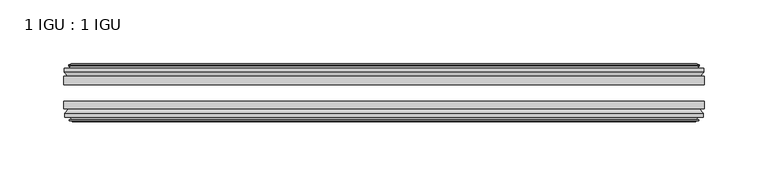
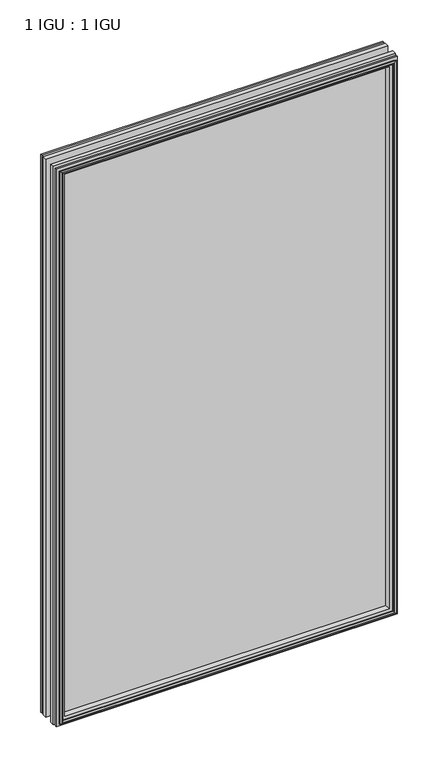
"""IFC4 building model written with IfcOpenShell, lengths in millimetres: plate geometry, 1 IGU : 1 IGU."""

from ifc_helpers import new_model, si_unit, frame, origin, place, context, project, spatial, polyline, outline, extrude, faceted_brep, source, transform, mapped, element, save


def plate_1_igu_1_igu_56111e99(model_context):
    return source(origin(), model_context, "Body", "SolidModel", [
        extrude(outline(polyline([(250.2044133, -25.8960937), (250.2044133, -32.2460938), (-250.2044133, -32.2460938), (-250.2044133, -25.8960937), (250.2044133, -25.8960937)])), frame((0.0, 0.0, -12.7), z_axis=(0.0, 0.0, 1.0), x_axis=(1.0, 0.0, 0.0)), (0.0, 0.0, 1.0), 863.6),
        extrude(outline(polyline([(-250.2044133, -51.2960938), (-250.2044133, -45.2686737), (250.2044133, -45.2686737), (250.2044133, -51.2960938), (-250.2044133, -51.2960938)])), frame((0.0, 0.0, -12.7), z_axis=(0.0, 0.0, 1.0), x_axis=(1.0, 0.0, 0.0)), (0.0, 0.0, 1.0), 863.6),
        faceted_brep([(-244.6164133, -60.0262907, 845.312), (-244.9974133, -57.6460937, 845.693), (-244.9974133, -57.6460937, -7.493), (-244.6164133, -60.0262907, -7.112), (-246.0319424, -59.5663575, 846.7275291), (-246.0319424, -59.5663575, -8.5275291), (-246.0319424, -60.3675717, 846.7275291), (-246.0319424, -60.3675717, -8.5275291), (-243.8544133, -61.0750937, 844.55), (-243.8544133, -61.0750937, -6.35), (-241.6768843, -60.3675717, 842.3724709), (-241.6768843, -60.3675717, -4.1724709), (-241.6768843, -59.5663575, 842.3724709), (-241.6768843, -59.5663575, -4.1724709), (-243.0924133, -60.0262907, 843.788), (-243.0924133, -60.0262907, -5.588), (-242.7114133, -57.6460937, 843.407), (-242.7114133, -57.6460937, -5.207), (-235.7866953, -51.2960937, 836.4822819), (-237.5044133, -57.6460937, 838.2), (-237.5044133, -57.6460937, 0.0), (-235.7866953, -51.2960937, 1.7177181), (-249.4424133, -54.6996937, 850.138), (-246.6080712, -51.2960937, 847.3036578), (-246.6080712, -51.2960937, -9.1036578), (-249.4424133, -54.6996937, -11.938), (-249.4424133, -57.6460937, 850.138), (-249.4424133, -57.6460937, -11.938), (244.9974133, -57.6460938, -7.493), (244.6164133, -60.0262907, -7.112), (246.0319424, -59.5663575, -8.5275291), (246.0319424, -60.3675717, -8.5275291), (243.8544133, -61.0750937, -6.35), (241.6768843, -60.3675717, -4.1724709), (241.6768843, -59.5663575, -4.1724709), (243.0924133, -60.0262907, -5.588), (242.7114133, -57.6460937, -5.207), (237.5044133, -57.6460937, 0.0), (235.7866953, -51.2960937, 1.7177181), (246.6080712, -51.2960937, -9.1036578), (249.4424133, -54.6996937, -11.938), (249.4424133, -57.6460938, -11.938), (244.9974133, -57.6460938, 845.693), (244.6164133, -60.0262907, 845.312), (246.0319424, -59.5663575, 846.7275291), (246.0319424, -60.3675717, 846.7275291), (243.8544133, -61.0750937, 844.55), (241.6768843, -60.3675717, 842.3724709), (241.6768843, -59.5663575, 842.3724709), (243.0924133, -60.0262907, 843.788), (242.7114133, -57.6460937, 843.407), (237.5044133, -57.6460937, 838.2), (235.7866953, -51.2960937, 836.4822819), (246.6080712, -51.2960937, 847.3036578), (249.4424133, -54.6996937, 850.138), (249.4424133, -57.6460938, 850.138)], [[[0, 1, 2, 3]], [[4, 0, 3, 5]], [[6, 4, 5, 7]], [[8, 6, 7, 9]], [[10, 8, 9, 11]], [[12, 10, 11, 13]], [[14, 12, 13, 15]], [[16, 14, 15, 17]], [[18, 19, 20, 21]], [[22, 23, 24, 25]], [[26, 22, 25, 27]], [[3, 2, 28, 29]], [[5, 3, 29, 30]], [[7, 5, 30, 31]], [[9, 7, 31, 32]], [[11, 9, 32, 33]], [[13, 11, 33, 34]], [[15, 13, 34, 35]], [[17, 15, 35, 36]], [[21, 20, 37, 38]], [[25, 24, 39, 40]], [[27, 25, 40, 41]], [[29, 28, 42, 43]], [[30, 29, 43, 44]], [[31, 30, 44, 45]], [[32, 31, 45, 46]], [[33, 32, 46, 47]], [[34, 33, 47, 48]], [[35, 34, 48, 49]], [[36, 35, 49, 50]], [[38, 37, 51, 52]], [[40, 39, 53, 54]], [[41, 40, 54, 55]], [[27, 41, 55, 26], [1, 42, 28, 2]], [[43, 42, 1, 0]], [[44, 43, 0, 4]], [[45, 44, 4, 6]], [[46, 45, 6, 8]], [[47, 46, 8, 10]], [[48, 47, 10, 12]], [[49, 48, 12, 14]], [[50, 49, 14, 16]], [[17, 36, 50, 16], [19, 51, 37, 20]], [[52, 51, 19, 18]], [[23, 53, 39, 24], [21, 38, 52, 18]], [[54, 53, 23, 22]], [[55, 54, 22, 26]]]),
        faceted_brep([(-247.1287712, -25.8960937, 847.8243578), (-249.9631133, -22.4924937, 850.6587), (-249.9631133, -22.4924937, -12.4587), (-247.1287712, -25.8960937, -9.6243578), (-238.0251133, -19.5460937, 838.7207), (-236.3073953, -25.8960937, 837.0029819), (-236.3073953, -25.8960937, 1.1970181), (-238.0251133, -19.5460937, -0.5207), (-243.6131133, -17.1658968, 844.3087), (-243.2321133, -19.5460937, 843.9277), (-243.2321133, -19.5460937, -5.7277), (-243.6131133, -17.1658968, -6.1087), (-242.1975843, -17.62583, 842.8931709), (-242.1975843, -17.62583, -4.6931709), (-242.1975843, -16.8246158, 842.8931709), (-242.1975843, -16.8246158, -4.6931709), (-244.3751133, -16.1170937, 845.0707), (-244.3751133, -16.1170937, -6.8707), (-246.5526424, -16.8246158, 847.2482291), (-246.5526424, -16.8246158, -9.0482291), (-246.5526424, -17.62583, 847.2482291), (-246.5526424, -17.62583, -9.0482291), (-245.1371133, -17.1658968, 845.8327), (-245.1371133, -17.1658968, -7.6327), (-245.5181133, -19.5460937, 846.2137), (-245.5181133, -19.5460937, -8.0137), (-249.9631133, -19.5460937, 850.6587), (-249.9631133, -19.5460937, -12.4587), (249.9631133, -22.4924937, -12.4587), (247.1287712, -25.8960937, -9.6243578), (236.3073953, -25.8960937, 1.1970181), (238.0251133, -19.5460937, -0.5207), (243.2321133, -19.5460937, -5.7277), (243.6131133, -17.1658968, -6.1087), (242.1975843, -17.62583, -4.6931709), (242.1975843, -16.8246158, -4.6931709), (244.3751133, -16.1170937, -6.8707), (246.5526424, -16.8246158, -9.0482291), (246.5526424, -17.62583, -9.0482291), (245.1371133, -17.1658968, -7.6327), (245.5181133, -19.5460937, -8.0137), (249.9631133, -19.5460937, -12.4587), (249.9631133, -22.4924937, 850.6587), (247.1287712, -25.8960937, 847.8243578), (236.3073953, -25.8960937, 837.0029819), (238.0251133, -19.5460937, 838.7207), (243.2321133, -19.5460937, 843.9277), (243.6131133, -17.1658968, 844.3087), (242.1975843, -17.62583, 842.8931709), (242.1975843, -16.8246158, 842.8931709), (244.3751133, -16.1170937, 845.0707), (246.5526424, -16.8246158, 847.2482291), (246.5526424, -17.62583, 847.2482291), (245.1371133, -17.1658968, 845.8327), (245.5181133, -19.5460937, 846.2137), (249.9631133, -19.5460937, 850.6587)], [[[0, 1, 2, 3]], [[4, 5, 6, 7]], [[8, 9, 10, 11]], [[12, 8, 11, 13]], [[14, 12, 13, 15]], [[16, 14, 15, 17]], [[18, 16, 17, 19]], [[20, 18, 19, 21]], [[22, 20, 21, 23]], [[24, 22, 23, 25]], [[1, 26, 27, 2]], [[3, 2, 28, 29]], [[7, 6, 30, 31]], [[11, 10, 32, 33]], [[13, 11, 33, 34]], [[15, 13, 34, 35]], [[17, 15, 35, 36]], [[19, 17, 36, 37]], [[21, 19, 37, 38]], [[23, 21, 38, 39]], [[25, 23, 39, 40]], [[2, 27, 41, 28]], [[29, 28, 42, 43]], [[31, 30, 44, 45]], [[33, 32, 46, 47]], [[34, 33, 47, 48]], [[35, 34, 48, 49]], [[36, 35, 49, 50]], [[37, 36, 50, 51]], [[38, 37, 51, 52]], [[39, 38, 52, 53]], [[40, 39, 53, 54]], [[28, 41, 55, 42]], [[43, 42, 1, 0]], [[3, 29, 43, 0], [5, 44, 30, 6]], [[45, 44, 5, 4]], [[9, 46, 32, 10], [7, 31, 45, 4]], [[47, 46, 9, 8]], [[48, 47, 8, 12]], [[49, 48, 12, 14]], [[50, 49, 14, 16]], [[51, 50, 16, 18]], [[52, 51, 18, 20]], [[53, 52, 20, 22]], [[54, 53, 22, 24]], [[26, 55, 41, 27], [25, 40, 54, 24]], [[42, 55, 26, 1]]]),
    ])


if __name__ == "__main__":
    model = new_model("IFC4")
    model_context = context("Model", 3, world=origin())
    ifc_project = project(units=[si_unit("LENGTHUNIT", "METRE", prefix="MILLI")], contexts=[model_context])
    site = spatial("IfcSite", under=ifc_project)
    building = spatial("IfcBuilding", under=site)
    placement = place(None, origin())
    plate_1_igu_1_igu_shape = plate_1_igu_1_igu_56111e99(model_context)
    element("IfcPlate", 1, ObjectType="1 IGU : 1 IGU", at=placement, inside=building, context=model_context, shape_type="MappedRepresentation", body=[
        mapped(plate_1_igu_1_igu_shape, transform((0.0, 0.0, 0.0), x_axis=(1.0, 0.0, 0.0), y_axis=(0.0, 1.0, 0.0), z_axis=(0.0, 0.0, 1.0))),
    ])
    save(model, "model.ifc")
